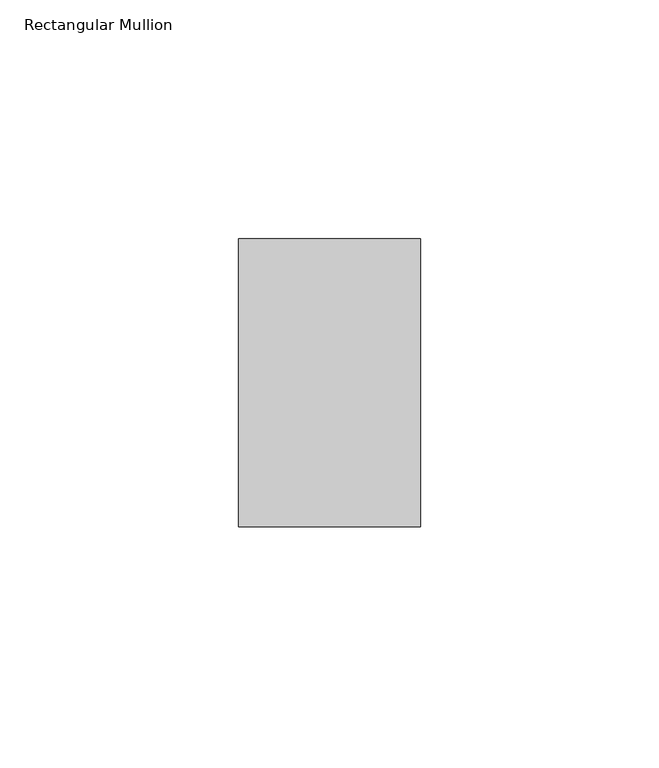
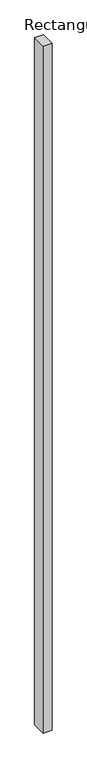
"""IFC4 building model written with IfcOpenShell, lengths in millimetres: member geometry, Rectangular Mullion."""

from ifc_helpers import new_model, si_unit, frame, origin, place, context, project, spatial, polyline, outline, extrude, source, transform, mapped, element, save


def rectangular_mullion_d828475c(model_context):
    return source(origin(), model_context, "Body", "SweptSolid", [
        extrude(outline(polyline([(-38.1, 50.8), (0.0, 50.8), (0.0, -9.525), (-38.1, -9.525), (-38.1, 50.8)])), frame((0.0, 0.0, -3048.0), z_axis=(0.0, 0.0, 1.0), x_axis=(1.0, 0.0, 0.0)), (0.0, 0.0, 1.0), 3048.0),
    ])


if __name__ == "__main__":
    model = new_model("IFC4")
    model_context = context("Model", 3, world=origin())
    ifc_project = project(units=[si_unit("LENGTHUNIT", "METRE", prefix="MILLI")], contexts=[model_context])
    site = spatial("IfcSite", under=ifc_project)
    building = spatial("IfcBuilding", under=site)
    placement = place(None, origin())
    rectangular_mullion_shape = rectangular_mullion_d828475c(model_context)
    element("IfcMember", 1, ObjectType="Rectangular Mullion", at=placement, inside=building, context=model_context, shape_type="MappedRepresentation", body=[
        mapped(rectangular_mullion_shape, transform((0.0, 0.0, 0.0), x_axis=(1.0, 0.0, 0.0), y_axis=(0.0, 1.0, 0.0), z_axis=(0.0, 0.0, 1.0))),
    ])
    save(model, "model.ifc")
